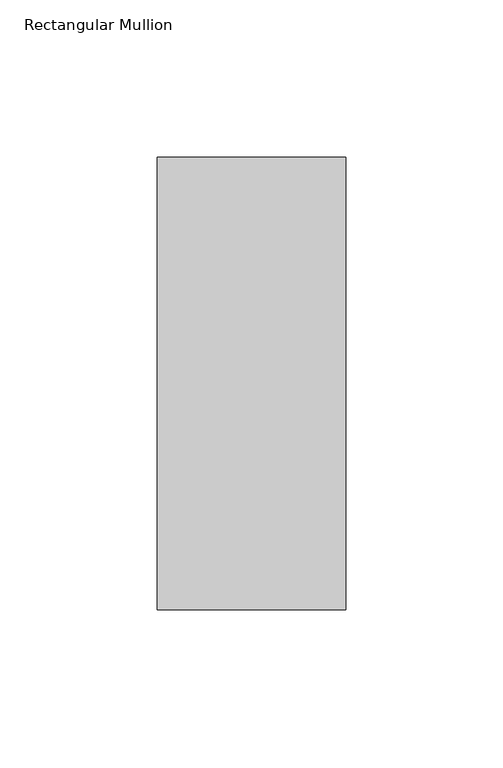
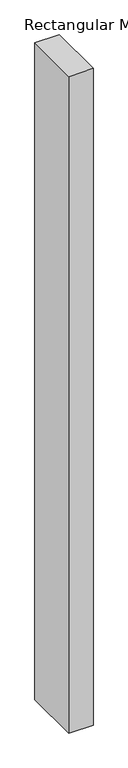
"""IFC4 building model written with IfcOpenShell, lengths in millimetres: member geometry, Rectangular Mullion."""

import ifcopenshell
import ifcopenshell.guid

model = None  # the IFC model being written
_history = None  # IfcOwnerHistory: only IFC2X3 demands one
_inside = {}  # id of a spatial element -> (the spatial element, [elements in it])
_under = {}  # id of a project, library or spatial element -> (it, [spatial elements below it])
_declared = {}  # id of a project -> (the project, [libraries it declares])
_typed = {}  # id of a type object -> (the type object, [elements of that type])
_made_of = {}  # id of a material, layer set ... -> (it, [elements and type objects made of it])


def new_model(schema):
    """Start an empty IFC model of exactly this schema.

    Asked for "IFC4X3", IfcOpenShell would pick the latest addendum, in which some entities
    have other attributes; the version numbers below select the first issue.
    IFC2X3 requires an IfcOwnerHistory on every rooted entity: one is made here for all.
    """
    global model, _history
    if schema == "IFC4X3":
        model = ifcopenshell.file(schema_version=(4, 3, 0, 0))
    else:
        model = ifcopenshell.file(schema=schema)
    _inside.clear()
    _under.clear()
    _declared.clear()
    _typed.clear()
    _made_of.clear()
    _history = None
    if model.schema == "IFC2X3":
        org = make("IfcOrganization", Name="unknown")
        user = make(
            "IfcPersonAndOrganization",
            ThePerson=make("IfcPerson", FamilyName="unknown"),
            TheOrganization=org,
        )
        app = make(
            "IfcApplication",
            ApplicationDeveloper=org,
            Version="unknown",
            ApplicationFullName="unknown",
            ApplicationIdentifier="unknown",
        )
        _history = make(
            "IfcOwnerHistory",
            OwningUser=user,
            OwningApplication=app,
            ChangeAction="ADDED",
            CreationDate=0,
        )
    return model


def make(cls, **values):
    """One entity of the class cls with the attributes given. An attribute that is None is left unset."""
    return model.create_entity(
        cls, **{name: value for name, value in values.items() if value is not None}
    )


def rooted(cls, **values):
    """An entity with a GlobalId (a new one), such as an element, a storey or a relation."""
    return make(cls, GlobalId=ifcopenshell.guid.new(), OwnerHistory=_history, **values)


def si_unit(unit_type, name, prefix=None):
    """IfcSIUnit, for example si_unit("LENGTHUNIT", "METRE", prefix="MILLI")."""
    return make("IfcSIUnit", UnitType=unit_type, Prefix=prefix, Name=name)


def assignment(units):
    """IfcUnitAssignment: the units of a project."""
    return None if units is None else make("IfcUnitAssignment", Units=units)


def point(xyz):
    """IfcCartesianPoint."""
    return None if xyz is None else make("IfcCartesianPoint", Coordinates=xyz)


def direction(xyz):
    """IfcDirection."""
    return None if xyz is None else make("IfcDirection", DirectionRatios=xyz)


def frame(location, z_axis=None, x_axis=None):
    """IfcAxis2Placement3D, a coordinate frame: its origin and axes. An axis left out is left unset."""
    return make(
        "IfcAxis2Placement3D",
        Location=point(location),
        Axis=direction(z_axis),
        RefDirection=direction(x_axis),
    )


def origin():
    """The frame at (0, 0, 0) with its axes left unset."""
    return frame((0.0, 0.0, 0.0))


def place(relative_to, where):
    """IfcLocalPlacement: puts the frame where relative to a parent placement (None: the world)."""
    return make(
        "IfcLocalPlacement", PlacementRelTo=relative_to, RelativePlacement=where
    )


def context(
    kind, dimensions, precision=None, world=None, true_north=None, identifier=None
):
    """IfcGeometricRepresentationContext, for example the 3D "Model" context."""
    return make(
        "IfcGeometricRepresentationContext",
        ContextIdentifier=identifier,
        ContextType=kind,
        CoordinateSpaceDimension=dimensions,
        Precision=precision,
        WorldCoordinateSystem=world,
        TrueNorth=true_north,
    )


def project(units=None, contexts=None):
    """IfcProject with its units and contexts."""
    return rooted(
        "IfcProject",
        Name="project",
        RepresentationContexts=contexts,
        UnitsInContext=assignment(units),
    )


def spatial(cls, under=None, at=None, **own):
    """A site, building, storey or space (cls), placed at a placement, below another one or the project."""
    s = rooted(cls, ObjectPlacement=at, **own)
    if under is not None:
        _under.setdefault(under.id(), (under, []))[1].append(s)
    return s


def polyline(points):
    """IfcPolyline through the points."""
    return make("IfcPolyline", Points=[point(p) for p in points])


def outline(outer, holes=None, kind="AREA"):
    """IfcArbitraryClosedProfileDef: a profile drawn as a closed curve; with holes, ...WithVoids."""
    if holes is None:
        return make("IfcArbitraryClosedProfileDef", ProfileType=kind, OuterCurve=outer)
    return make(
        "IfcArbitraryProfileDefWithVoids",
        ProfileType=kind,
        OuterCurve=outer,
        InnerCurves=holes,
    )


def extrude(swept, where, along, depth):
    """IfcExtrudedAreaSolid: the profile swept, set in the frame where, extruded along a direction by depth."""
    return make(
        "IfcExtrudedAreaSolid",
        SweptArea=swept,
        Position=where,
        ExtrudedDirection=direction(along),
        Depth=depth,
    )


def shape(context_of_items, identifier, shape_type, items):
    """IfcShapeRepresentation: the items that make up one representation, for example the "Body"."""
    return make(
        "IfcShapeRepresentation",
        ContextOfItems=context_of_items,
        RepresentationIdentifier=identifier,
        RepresentationType=shape_type,
        Items=items,
    )


def source(mapping_origin, context_of_items, identifier, shape_type, items):
    """IfcRepresentationMap: a shape defined once, which mapped items show again and again."""
    return make(
        "IfcRepresentationMap",
        MappingOrigin=mapping_origin,
        MappedRepresentation=shape(context_of_items, identifier, shape_type, items),
    )


def transform(
    local_origin,
    x_axis=None,
    y_axis=None,
    z_axis=None,
    scale=None,
    scale2=None,
    scale3=None,
    uniform=True,
):
    """IfcCartesianTransformationOperator3D, or its non-uniform kind. x_axis, y_axis, z_axis: its Axis1, 2, 3."""
    if uniform:
        return make(
            "IfcCartesianTransformationOperator3D",
            Axis1=direction(x_axis),
            Axis2=direction(y_axis),
            LocalOrigin=point(local_origin),
            Scale=scale,
            Axis3=direction(z_axis),
        )
    return make(
        "IfcCartesianTransformationOperator3DnonUniform",
        Axis1=direction(x_axis),
        Axis2=direction(y_axis),
        LocalOrigin=point(local_origin),
        Scale=scale,
        Axis3=direction(z_axis),
        Scale2=scale2,
        Scale3=scale3,
    )


def mapped(mapping_source, mapping_target):
    """IfcMappedItem: shows the shape of a source again, moved by a transform."""
    return make(
        "IfcMappedItem", MappingSource=mapping_source, MappingTarget=mapping_target
    )


def made_of(thing, what):
    """Note that an element or type object is made of a material, layer set ...; save() writes the relation."""
    if what is not None:
        _made_of.setdefault(what.id(), (what, []))[1].append(thing)
    return thing


def element(
    cls,
    number,
    at=None,
    inside=None,
    cuts=None,
    type_object=None,
    material=None,
    context=None,
    identifier="Body",
    shape_type=None,
    held_by="IfcProductDefinitionShape",
    body=None,
    shapes=None,
    **own,
):
    """One element of the class cls, such as IfcWall. Its Tag is "e" and its number.

    at: its placement. inside: the storey or other place that contains it. cuts: it is an
    opening in that element (IfcRelVoidsElement). A single representation is given by context,
    identifier, shape_type and body (its items); several are given by shapes. held_by: the class
    of the entity that holds the representations. save() writes the other relations.
    """
    e = rooted(cls, Tag="e%d" % number, ObjectPlacement=at, **own)
    if body is not None:
        shapes = [shape(context, identifier, shape_type, body)]
    if shapes is not None:
        e.Representation = make(held_by, Representations=shapes)
    if inside is not None:
        _inside.setdefault(inside.id(), (inside, []))[1].append(e)
    if cuts is not None:
        rooted(
            "IfcRelVoidsElement", RelatingBuildingElement=cuts, RelatedOpeningElement=e
        )
    if type_object is not None:
        _typed.setdefault(type_object.id(), (type_object, []))[1].append(e)
    return made_of(e, material)


def aggregate(whole, parts):
    """IfcRelAggregates: a whole, such as a stair, and the parts it consists of."""
    return rooted("IfcRelAggregates", RelatingObject=whole, RelatedObjects=parts)


def save(model, path):
    """Write the relations noted so far, then the file.

    IfcRelAggregates (storeys below a building ...), IfcRelContainedInSpatialStructure (elements
    in a storey), IfcRelDefinesByType, IfcRelAssociatesMaterial and IfcRelDeclares: one each for
    every whole, place, type object, material and project.
    """
    for whole, parts in _under.values():
        aggregate(whole, parts)
    for where, things in _inside.values():
        rooted(
            "IfcRelContainedInSpatialStructure",
            RelatedElements=things,
            RelatingStructure=where,
        )
    for kind, things in _typed.values():
        rooted("IfcRelDefinesByType", RelatedObjects=things, RelatingType=kind)
    for what, things in _made_of.values():
        rooted("IfcRelAssociatesMaterial", RelatedObjects=things, RelatingMaterial=what)
    for by, libraries in _declared.values():
        rooted("IfcRelDeclares", RelatingContext=by, RelatedDefinitions=libraries)
    model.write(path)


def rectangular_mullion_58d79832(model_context):
    return source(origin(), model_context, "Body", "SweptSolid", [
        extrude(outline(polyline([(30.0, 107.525), (30.0, -36.525), (-30.0, -36.525), (-30.0, 107.525), (30.0, 107.525)])), frame((0.0, 0.0, -1708.8912252), z_axis=(0.0, 0.0, 1.0), x_axis=(1.0, 0.0, 0.0)), (0.0, 0.0, 1.0), 1708.8912252),
    ])


if __name__ == "__main__":
    model = new_model("IFC4")
    model_context = context("Model", 3, world=origin())
    ifc_project = project(units=[si_unit("LENGTHUNIT", "METRE", prefix="MILLI")], contexts=[model_context])
    site = spatial("IfcSite", under=ifc_project)
    building = spatial("IfcBuilding", under=site)
    placement = place(None, origin())
    rectangular_mullion_shape = rectangular_mullion_58d79832(model_context)
    element("IfcMember", 1, ObjectType="Rectangular Mullion", at=placement, inside=building, context=model_context, shape_type="MappedRepresentation", body=[
        mapped(rectangular_mullion_shape, transform((0.0, 0.0, 0.0), x_axis=(1.0, 0.0, 0.0), y_axis=(0.0, 1.0, 0.0), z_axis=(0.0, 0.0, 1.0))),
    ])
    save(model, "model.ifc")
